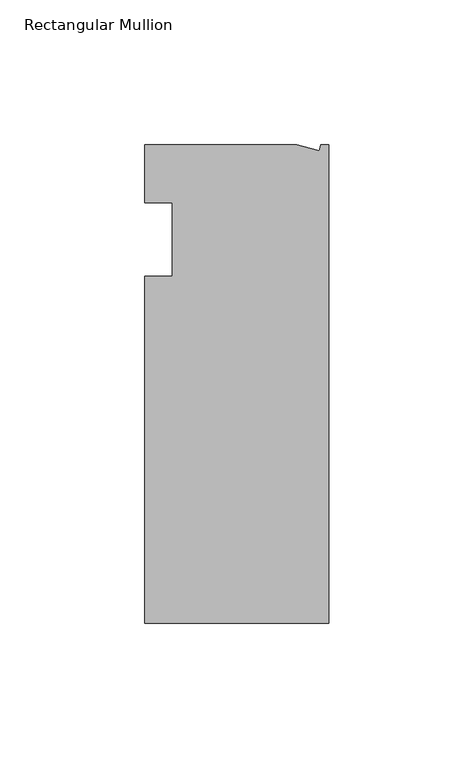
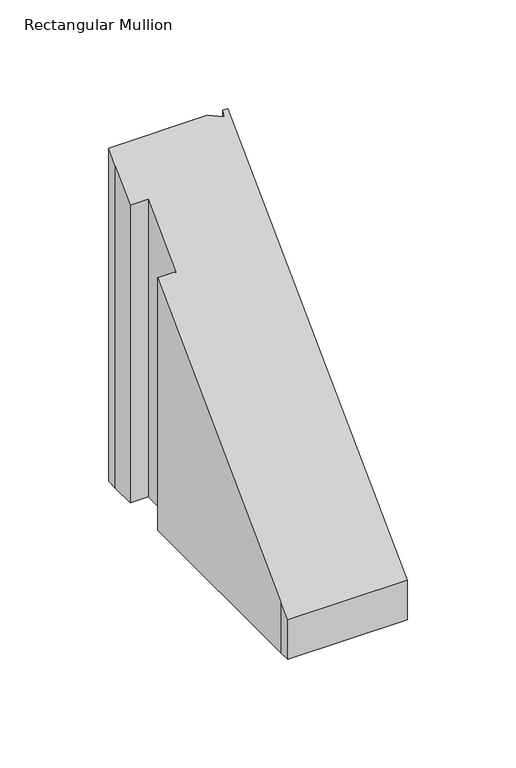
"""IFC4 building model written with IfcOpenShell, lengths in millimetres: member geometry, Rectangular Mullion."""

from ifc_helpers import new_model, si_unit, origin, place, context, project, spatial, faceted_brep, source, transform, mapped, element, save


def rectangular_mullion_c083b9b4(model_context):
    return source(origin(), model_context, "Body", "Brep", [
        faceted_brep([(0.0, -132.5561012, -154.8113404), (-63.5, -132.5561012, -154.8113404), (-63.5, -126.2061012, -154.8113404), (-63.5, -12.8054199, -154.8113404), (-53.975, -12.8054199, -154.8113404), (-53.975, 12.5945801, -154.8113404), (-63.5, 12.5945801, -154.8113404), (-63.5, 26.1938988, -154.8113404), (-63.5, 32.5438988, -154.8113404), (-11.121847, 32.5438988, -154.8113404), (-3.3341886, 30.4622958, -154.8113404), (-2.7616541, 32.5438988, -154.8113404), (0.0, 32.5438988, -154.8113404), (0.0, 32.5438988, 32.5438988), (0.0, -132.5561012, -132.5561012), (-2.7616541, 32.5438988, 32.5438988), (-3.3341886, 30.4622958, 30.4622958), (-11.121847, 32.5438988, 32.5438988), (-63.5, 32.5438988, 32.5438988), (-63.5, 12.5945801, 12.5945801), (-63.5, 26.1938988, 26.1938988), (-53.975, 12.5945801, 12.5945801), (-53.975, -12.8054199, -12.8054199), (-63.5, -12.8054199, -12.8054199), (-63.5, -126.2061012, -126.2061012), (-63.5, -132.5561012, -132.5561012)], [[[0, 1, 2, 3, 4, 5, 6, 7, 8, 9, 10, 11, 12]], [[13, 14, 0, 12]], [[15, 13, 12, 11]], [[16, 15, 11, 10]], [[17, 16, 10, 9]], [[18, 17, 9, 8]], [[19, 20, 7, 6]], [[21, 19, 6, 5]], [[22, 21, 5, 4]], [[23, 22, 4, 3]], [[24, 23, 3, 2]], [[14, 25, 1, 0]], [[14, 13, 15, 16, 17, 18, 20, 19, 21, 22, 23, 24, 25]], [[20, 18, 8, 7]], [[25, 24, 2, 1]]]),
    ])


if __name__ == "__main__":
    model = new_model("IFC4")
    model_context = context("Model", 3, world=origin())
    ifc_project = project(units=[si_unit("LENGTHUNIT", "METRE", prefix="MILLI")], contexts=[model_context])
    site = spatial("IfcSite", under=ifc_project)
    building = spatial("IfcBuilding", under=site)
    placement = place(None, origin())
    rectangular_mullion_shape = rectangular_mullion_c083b9b4(model_context)
    element("IfcMember", 1, ObjectType="Rectangular Mullion", at=placement, inside=building, context=model_context, shape_type="MappedRepresentation", body=[
        mapped(rectangular_mullion_shape, transform((0.0, 0.0, 0.0), x_axis=(1.0, 0.0, 0.0), y_axis=(0.0, 1.0, 0.0), z_axis=(0.0, 0.0, 1.0))),
    ])
    save(model, "model.ifc")
